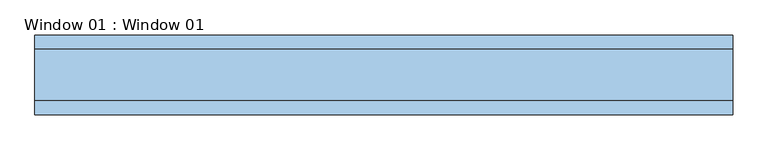
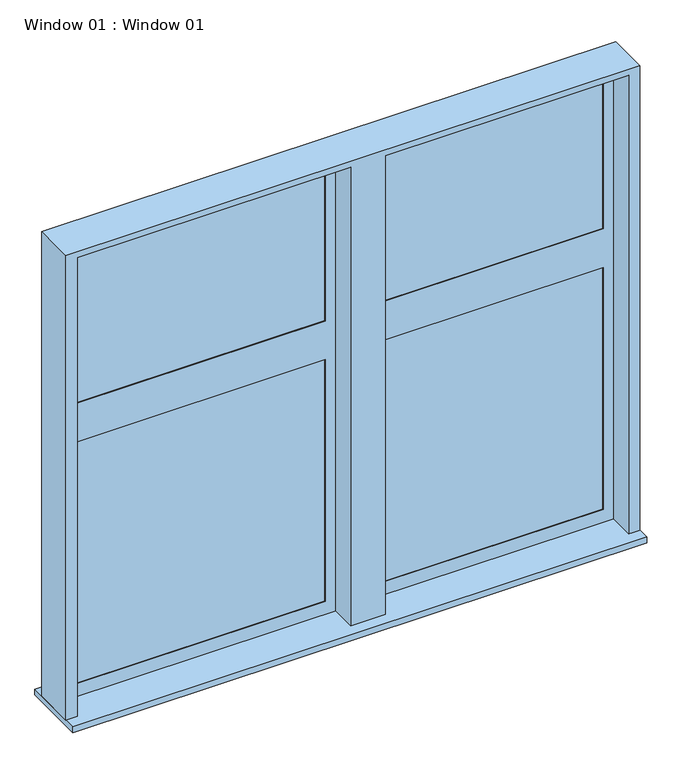
"""IFC4 building model written with IfcOpenShell, lengths in millimetres: window geometry, Window 01 : Window 01."""

from ifc_helpers import new_model, si_unit, frame, origin, place, context, project, spatial, polyline, outline, extrude, source, transform, mapped, element, save


def window_01_window_01_e588b42b(model_context):
    return source(origin(), model_context, "Body", "SweptSolid", [
        extrude(outline(polyline([(-107.9334738, 12.7), (-2255.52, 12.7), (-2255.52, 25.4), (-107.9334738, 25.4), (-107.9334738, 12.7)])), frame((0.0, 0.0, 1030.9725041), z_axis=(0.0, 0.0, 1.0), x_axis=(1.0, 0.0, 0.0)), (0.0, 0.0, 1.0), 2174.2184487),
        extrude(outline(polyline([(2255.5530524, 12.7), (361.9665262, 12.7), (361.9665262, 25.4), (2255.5530524, 25.4), (2255.5530524, 12.7)])), frame((0.0, 0.0, 1030.9725041), z_axis=(0.0, 0.0, 1.0), x_axis=(1.0, 0.0, 0.0)), (0.0, 0.0, 1.0), 2174.2184487),
        extrude(outline(polyline([(-107.9334738, 12.7), (-2255.52, 12.7), (-2255.52, 25.4), (-107.9334738, 25.4), (-107.9334738, 12.7)])), frame((0.0, 0.0, 3554.4409527), z_axis=(0.0, 0.0, 1.0), x_axis=(1.0, 0.0, 0.0)), (0.0, 0.0, 1.0), 1391.5229387),
        extrude(outline(polyline([(2255.5530524, 12.7), (361.9665262, 12.7), (361.9665262, 25.4), (2255.5530524, 25.4), (2255.5530524, 12.7)])), frame((0.0, 0.0, 3554.4409527), z_axis=(0.0, 0.0, 1.0), x_axis=(1.0, 0.0, 0.0)), (0.0, 0.0, 1.0), 1391.5229387),
        extrude(outline(polyline([(5041.2138914, 2344.4530524), (5041.2138914, 273.0665262), (914.4, 273.0665262), (914.4, 2344.4530524), (5041.2138914, 2344.4530524)]), holes=[polyline([(3205.1909527, 2255.5530524), (1030.9725041, 2255.5530524), (1030.9725041, 361.9665262), (3205.1909527, 361.9665262), (3205.1909527, 2255.5530524)]), polyline([(4945.9638914, 2255.5530524), (3554.4409527, 2255.5530524), (3554.4409527, 361.9665262), (4945.9638914, 361.9665262), (4945.9638914, 2255.5530524)])]), frame((0.0, 6.35, 0.0), z_axis=(0.0, 1.0, 0.0), x_axis=(0.0, 0.0, 1.0)), (0.0, 0.0, 1.0), 57.15),
        extrude(outline(polyline([(5041.2138914, -2344.42), (914.4, -2344.42), (914.4, -19.0334738), (5041.2138914, -19.0334738), (5041.2138914, -2344.42)]), holes=[polyline([(3205.1909527, -107.9334738), (1030.9725041, -107.9334738), (1030.9725041, -2255.52), (3205.1909527, -2255.52), (3205.1909527, -107.9334738)]), polyline([(4945.9638914, -107.9334738), (3554.4409527, -107.9334738), (3554.4409527, -2255.52), (4945.9638914, -2255.52), (4945.9638914, -107.9334738)])]), frame((0.0, 6.35, 0.0), z_axis=(0.0, 1.0, 0.0), x_axis=(0.0, 0.0, 1.0)), (0.0, 0.0, 1.0), 57.15),
        extrude(outline(polyline([(914.4, -2439.67), (914.4, -2344.42), (5041.2138914, -2344.42), (5041.2138914, -19.0334738), (914.4, -19.0334738), (914.4, 273.0665262), (5041.2138914, 273.0665262), (5041.2138914, 2344.4530524), (914.4, 2344.4530524), (914.4, 2439.67), (5091.938, 2439.67), (5091.938, -2439.67), (914.4, -2439.67)])), frame((0.0, -215.9, 0.0), z_axis=(0.0, 1.0, 0.0), x_axis=(0.0, 0.0, 1.0)), (0.0, 0.0, 1.0), 355.6),
        extrude(outline(polyline([(2439.67, -317.5), (-2439.67, -317.5), (-2439.67, 241.3), (2439.67, 241.3), (2439.67, -317.5)])), frame((0.0, 0.0, 863.6), z_axis=(0.0, 0.0, 1.0), x_axis=(1.0, 0.0, 0.0)), (0.0, 0.0, 1.0), 50.8),
    ])


if __name__ == "__main__":
    model = new_model("IFC4")
    model_context = context("Model", 3, world=origin())
    ifc_project = project(units=[si_unit("LENGTHUNIT", "METRE", prefix="MILLI")], contexts=[model_context])
    site = spatial("IfcSite", under=ifc_project)
    building = spatial("IfcBuilding", under=site)
    placement = place(None, origin())
    window_01_window_01_shape = window_01_window_01_e588b42b(model_context)
    element("IfcWindow", 1, ObjectType="Window 01 : Window 01", at=placement, inside=building, context=model_context, shape_type="MappedRepresentation", body=[
        mapped(window_01_window_01_shape, transform((0.0, 0.0, 0.0), x_axis=(1.0, 0.0, 0.0), y_axis=(0.0, 1.0, 0.0), z_axis=(0.0, 0.0, 1.0))),
    ])
    save(model, "model.ifc")
